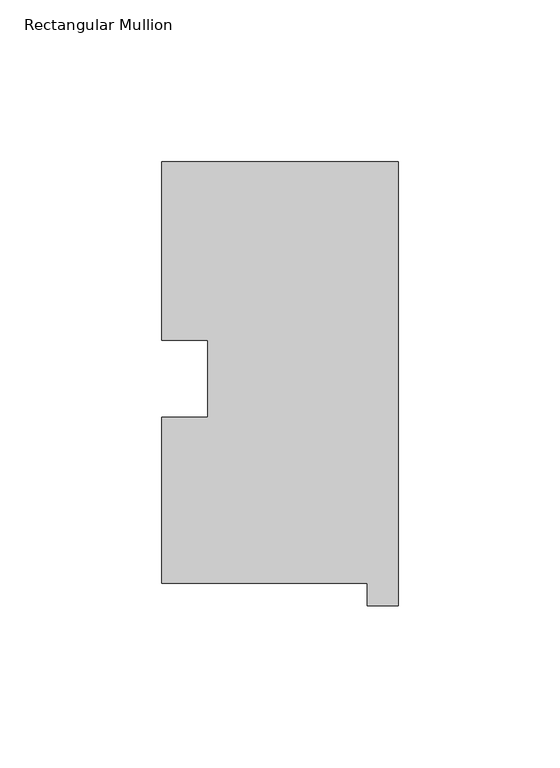
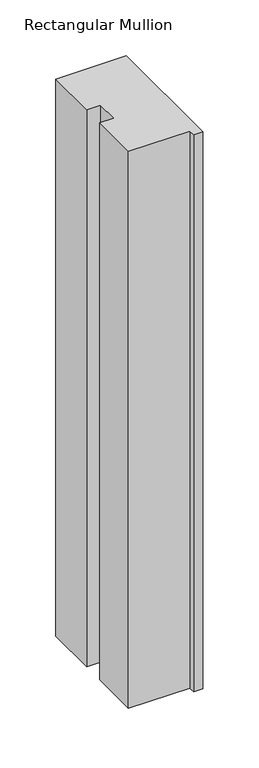
"""IFC4 building model written with IfcOpenShell, lengths in millimetres: member geometry, Rectangular Mullion."""

from ifc_helpers import new_model, si_unit, frame, origin, place, context, project, spatial, polyline, outline, extrude, source, transform, mapped, element, save


def rectangular_mullion_e40e9c2e(model_context):
    return source(origin(), model_context, "Body", "SweptSolid", [
        extrude(outline(polyline([(-73.025, 130.56235), (0.0, 130.56235), (0.0, -6.64845), (-9.525, -6.64845), (-9.525, 0.26035), (-73.025, 0.26035), (-73.025, 51.60645), (-58.785125, 51.60645), (-58.785125, 75.40625), (-73.025, 75.40625), (-73.025, 130.56235)])), frame((0.0, 0.0, -609.56825), z_axis=(0.0, 0.0, 1.0), x_axis=(1.0, 0.0, 0.0)), (0.0, 0.0, 1.0), 609.56825),
    ])


if __name__ == "__main__":
    model = new_model("IFC4")
    model_context = context("Model", 3, world=origin())
    ifc_project = project(units=[si_unit("LENGTHUNIT", "METRE", prefix="MILLI")], contexts=[model_context])
    site = spatial("IfcSite", under=ifc_project)
    building = spatial("IfcBuilding", under=site)
    placement = place(None, origin())
    rectangular_mullion_shape = rectangular_mullion_e40e9c2e(model_context)
    element("IfcMember", 1, ObjectType="Rectangular Mullion", at=placement, inside=building, context=model_context, shape_type="MappedRepresentation", body=[
        mapped(rectangular_mullion_shape, transform((0.0, 0.0, 0.0), x_axis=(1.0, 0.0, 0.0), y_axis=(0.0, 1.0, 0.0), z_axis=(0.0, 0.0, 1.0))),
    ])
    save(model, "model.ifc")
